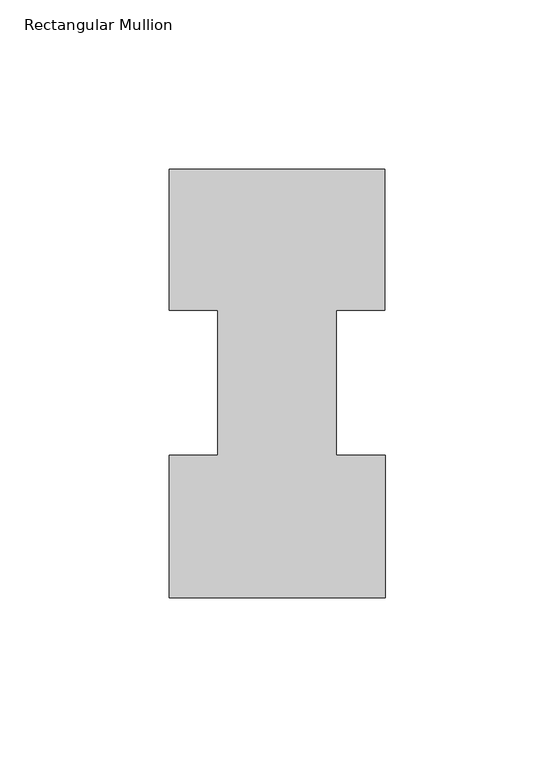
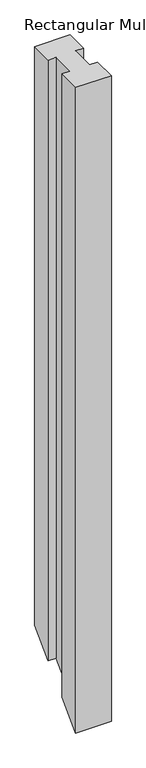
"""IFC4 building model written with IfcOpenShell, lengths in millimetres: member geometry, Rectangular Mullion."""

from ifc_helpers import new_model, si_unit, origin, place, context, project, spatial, faceted_brep, source, transform, mapped, element, save


def rectangular_mullion_87a208a7(model_context):
    return source(origin(), model_context, "Body", "Brep", [
        faceted_brep([(-63.5, 0.2428875, 0.0), (0.2408142, 0.2428875, 0.0), (0.2408142, 42.2798875, 0.0), (-14.2748, 42.2798875, 0.0), (-14.2748, 85.1296875, 0.0), (0.0, 85.1296875, 0.0), (0.0, 126.7348875, 0.0), (-63.5, 126.7348875, 0.0), (-63.5, 85.1296875, 0.0), (-49.21504, 85.1296875, 0.0), (-49.21504, 42.2798875, 0.0), (-63.5, 42.2798875, 0.0), (-63.5, 0.2428875, -1218.9547312), (0.2408142, 0.2428875, -1218.9547312), (0.2408142, 42.2798875, -1176.9177312), (-14.2748, 42.2798875, -1176.9177312), (-14.2748, 85.1296875, -1134.0679312), (0.0, 85.1296875, -1134.0679312), (0.0, 126.7348875, -1092.4627312), (-63.5, 126.7348875, -1092.4627312), (-63.5, 85.1296875, -1134.0679312), (-49.21504, 85.1296875, -1134.0679312), (-49.21504, 42.2798875, -1176.9177312), (-63.5, 42.2798875, -1176.9177312)], [[[0, 1, 2, 3, 4, 5, 6, 7, 8, 9, 10, 11]], [[1, 0, 12, 13]], [[2, 1, 13, 14]], [[3, 2, 14, 15]], [[4, 3, 15, 16]], [[5, 4, 16, 17]], [[6, 5, 17, 18]], [[7, 6, 18, 19]], [[8, 7, 19, 20]], [[9, 8, 20, 21]], [[10, 9, 21, 22]], [[11, 10, 22, 23]], [[0, 11, 23, 12]], [[12, 23, 22, 21, 20, 19, 18, 17, 16, 15, 14, 13]]]),
    ])


if __name__ == "__main__":
    model = new_model("IFC4")
    model_context = context("Model", 3, world=origin())
    ifc_project = project(units=[si_unit("LENGTHUNIT", "METRE", prefix="MILLI")], contexts=[model_context])
    site = spatial("IfcSite", under=ifc_project)
    building = spatial("IfcBuilding", under=site)
    placement = place(None, origin())
    rectangular_mullion_shape = rectangular_mullion_87a208a7(model_context)
    element("IfcMember", 1, ObjectType="Rectangular Mullion", at=placement, inside=building, context=model_context, shape_type="MappedRepresentation", body=[
        mapped(rectangular_mullion_shape, transform((0.0, 0.0, 0.0), x_axis=(1.0, 0.0, 0.0), y_axis=(0.0, 1.0, 0.0), z_axis=(0.0, 0.0, 1.0))),
    ])
    save(model, "model.ifc")
